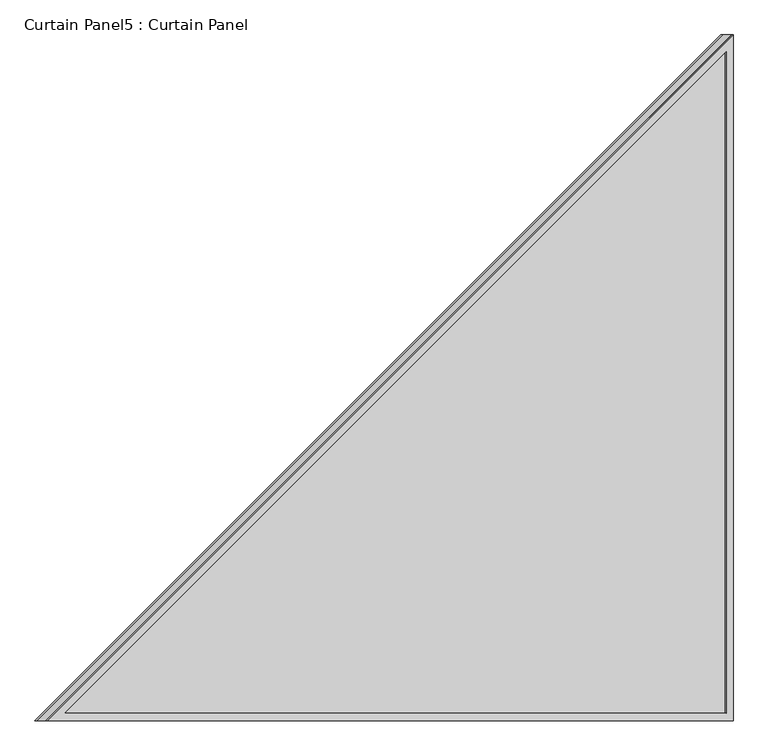
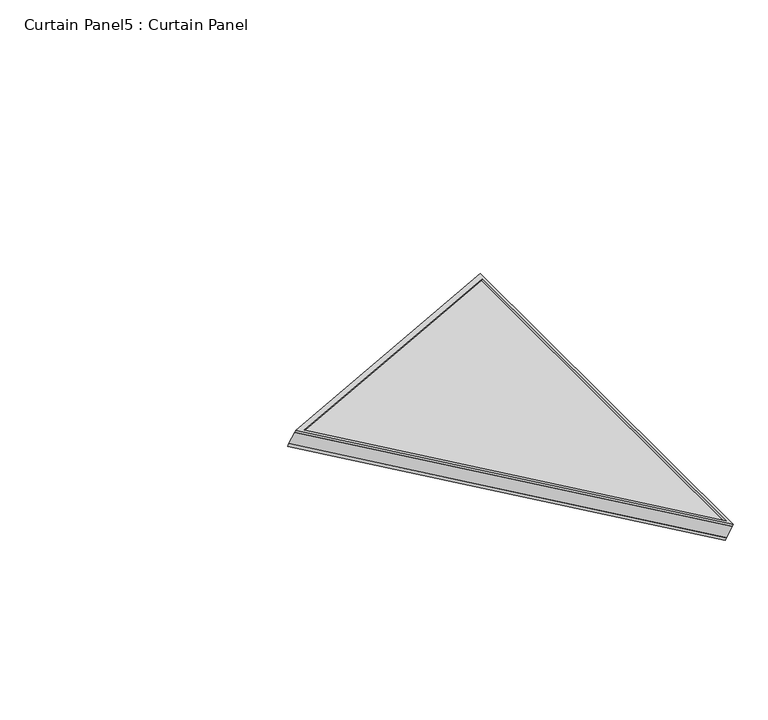
"""IFC4 building model written with IfcOpenShell, lengths in millimetres: plate geometry, Curtain Panel5 : Curtain Panel."""

from ifc_helpers import new_model, si_unit, frame, origin, place, context, project, spatial, polyline, outline, extrude, source, transform, mapped, element, save


def curtain_panel5_curtain_panel_7674c6bc(model_context):
    return source(origin(), model_context, "Body", "SweptSolid", [
        extrude(outline(polyline([(1318.6200807, 0.0), (0.0, -1141.9584878), (0.0, 0.0), (1318.6200807, 0.0)]), holes=[polyline([(1284.5558134, -12.7), (12.7, -12.7), (12.7, -1114.1594444), (1284.5558134, -12.7)])]), frame((-4703.2897142, 10964.7537369, -4.6852594), z_axis=(0.5000000000000023, 0.0, 0.8660254037844374), x_axis=(-0.8660254037844374, 0.0, 0.5000000000000023)), (0.0, 0.0, 1.0), 4.7672095),
        extrude(outline(polyline([(1318.6200808, 0.0), (0.0, -1141.9584878), (0.0, 0.0), (1318.6200808, 0.0)]), holes=[polyline([(1284.5558134, -12.7), (12.7000001, -12.7), (12.7000001, -1114.1594444), (1284.5558134, -12.7)])]), frame((-4721.7175302, 10964.7537369, -36.6031731), z_axis=(0.5000000000000024, 0.0, 0.8660254037844373), x_axis=(-0.8660254037844373, 0.0, 0.5000000000000024)), (0.0, 0.0, 1.0), 6.7312322),
        extrude(outline(polyline([(64.5415122, 0.0), (1206.5, 0.0), (1206.5, -1318.6200807), (64.5415122, 0.0)])), frame((-4718.3519142, 12171.2537369, -30.773755), z_axis=(0.5000000000000002, 0.0, 0.8660254037844386), x_axis=(0.0, -1.0, 0.0)), (0.0, 0.0, 1.0), 30.1244),
    ])


if __name__ == "__main__":
    model = new_model("IFC4")
    model_context = context("Model", 3, world=origin())
    ifc_project = project(units=[si_unit("LENGTHUNIT", "METRE", prefix="MILLI")], contexts=[model_context])
    site = spatial("IfcSite", under=ifc_project)
    building = spatial("IfcBuilding", under=site)
    placement = place(None, origin())
    curtain_panel5_curtain_panel_shape = curtain_panel5_curtain_panel_7674c6bc(model_context)
    element("IfcPlate", 1, ObjectType="Curtain Panel5 : Curtain Panel", at=placement, inside=building, context=model_context, shape_type="MappedRepresentation", body=[
        mapped(curtain_panel5_curtain_panel_shape, transform((0.0, 0.0, 0.0), x_axis=(1.0, 0.0, 0.0), y_axis=(0.0, 1.0, 0.0), z_axis=(0.0, 0.0, 1.0))),
    ])
    save(model, "model.ifc")
